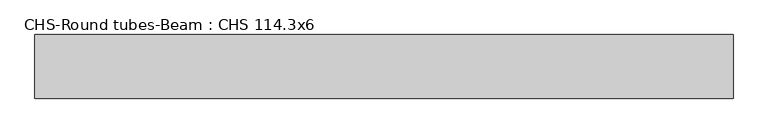
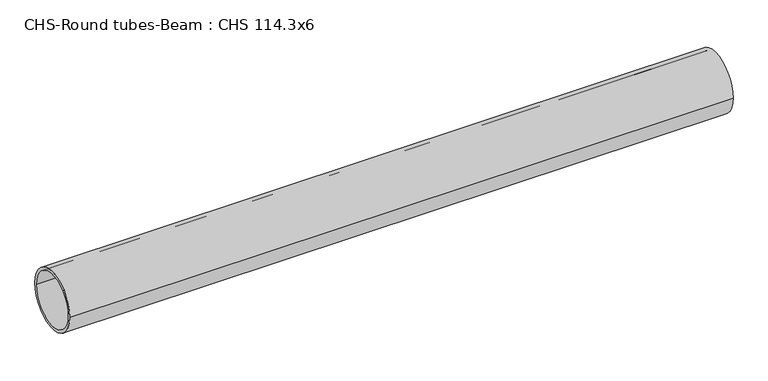
"""IFC4 building model written with IfcOpenShell, lengths in millimetres: beam geometry, CHS-Round tubes-Beam : CHS 114.3x6."""

from ifc_helpers import new_model, si_unit, point, frame, origin, origin_2d, place, context, project, spatial, circle_curve, trimmed, segment, composite_curve, outline, extrude, source, transform, mapped, element, save


def chs_round_tubes_beam_chs_114_3x6_af734bde(model_context):
    return source(origin(), model_context, "Body", "SweptSolid", [
        extrude(outline(composite_curve([segment(trimmed(circle_curve(origin_2d(), 57.15), [point((57.15, 0.0))], [point((-57.15, 0.0))], False, "CARTESIAN"), True, "CONTINUOUS"), segment(trimmed(circle_curve(origin_2d(), 57.15), [point((-57.15, 0.0))], [point((57.15, 0.0))], False, "CARTESIAN"), True, "CONTINUOUS")], self_intersect=False), holes=[composite_curve([segment(trimmed(circle_curve(origin_2d(), 51.15), [point((51.15, 0.0))], [point((-51.15, 0.0))], True, "CARTESIAN"), True, "CONTINUOUS"), segment(trimmed(circle_curve(origin_2d(), 51.15), [point((-51.15, 0.0))], [point((51.15, 0.0))], True, "CARTESIAN"), True, "CONTINUOUS")], self_intersect=False)]), frame((-627.2997621, 0.0, 0.0), z_axis=(1.0, 0.0, 0.0), x_axis=(0.0, 1.0, 0.0)), (0.0, 0.0, 1.0), 1254.5989072),
    ])


if __name__ == "__main__":
    model = new_model("IFC4")
    model_context = context("Model", 3, world=origin())
    ifc_project = project(units=[si_unit("LENGTHUNIT", "METRE", prefix="MILLI")], contexts=[model_context])
    site = spatial("IfcSite", under=ifc_project)
    building = spatial("IfcBuilding", under=site)
    placement = place(None, origin())
    chs_round_tubes_beam_chs_114_3x6_shape = chs_round_tubes_beam_chs_114_3x6_af734bde(model_context)
    element("IfcBeam", 1, ObjectType="CHS-Round tubes-Beam : CHS 114.3x6", at=placement, inside=building, context=model_context, shape_type="MappedRepresentation", body=[
        mapped(chs_round_tubes_beam_chs_114_3x6_shape, transform((0.0, 0.0, 0.0), x_axis=(1.0, 0.0, 0.0), y_axis=(0.0, 1.0, 0.0), z_axis=(0.0, 0.0, 1.0))),
    ])
    save(model, "model.ifc")
